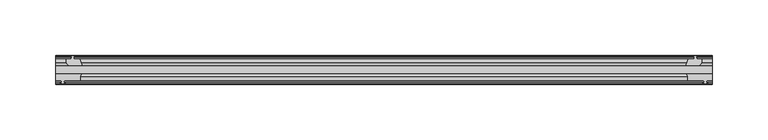
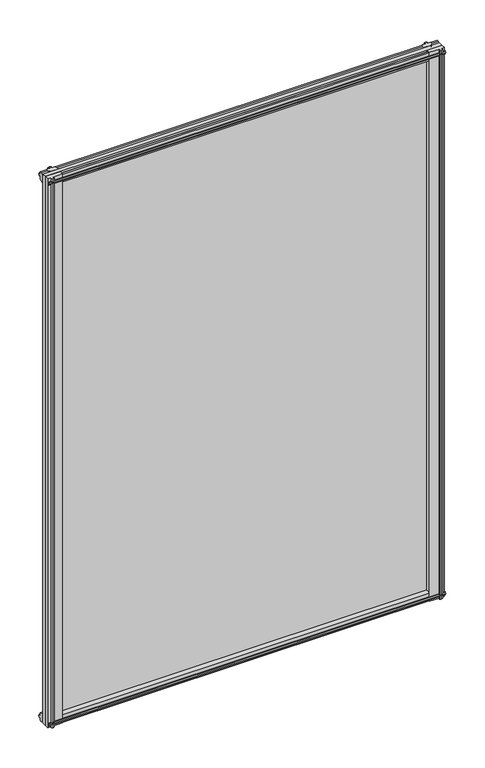
"""IFC4 building model written with IfcOpenShell, lengths in millimetres: plate geometry."""

from ifc_helpers import new_model, si_unit, point, frame, frame_2d, origin, place, context, project, spatial, polyline, circle_curve, trimmed, segment, composite_curve, outline, extrude, source, transform, mapped, element, save


def plate_11bede91(model_context):
    return source(origin(), model_context, "Body", "SweptSolid", [
        extrude(outline(polyline([(-295.275, -19.5460937), (295.275, -19.5460937), (295.275, -25.8960937), (-295.275, -25.8960937), (-295.275, -19.5460937)])), frame((0.0, 0.0, -12.7), z_axis=(0.0, 0.0, 1.0), x_axis=(1.0, 0.0, 0.0)), (0.0, 0.0, 1.0), 863.6),
        extrude(outline(composite_curve([segment(polyline([(-295.2792854, -32.2460937), (-295.2792854, -25.8960937), (-271.9572351, -25.8960937)]), True, "CONTINUOUS"), segment(trimmed(circle_curve(frame_2d((-264.168449, -30.5054843)), 9.0505066), [point((-271.9572351, -25.8960937))], [point((-273.05, -32.2460937))], True, "CARTESIAN"), True, "CONTINUOUS"), segment(polyline([(-273.05, -32.2460937), (-287.6592854, -32.2460937), (-287.9767854, -34.3506957), (-286.7581795, -34.0241712), (-286.5543854, -34.7847412), (-288.9292854, -35.4210937), (-291.3041854, -34.7847412), (-291.1003913, -34.0241712), (-289.8817854, -34.3506957), (-290.1992854, -32.2460937), (-295.2792854, -32.2460937)]), True, "CONTINUOUS")], self_intersect=False)), frame((0.0, 0.0, -12.7), z_axis=(0.0, 0.0, 1.0), x_axis=(1.0, 0.0, 0.0)), (0.0, 0.0, 1.0), 863.6),
        extrude(outline(composite_curve([segment(polyline([(295.2792854, -32.2460938), (290.1992854, -32.2460938), (289.8817854, -34.3506957), (291.1003913, -34.0241712), (291.3041854, -34.7847412), (288.9292854, -35.4210938), (286.5543854, -34.7847412), (286.7581795, -34.0241712), (287.9767854, -34.3506957), (287.6592854, -32.2460938), (273.05, -32.2460938)]), True, "CONTINUOUS"), segment(trimmed(circle_curve(frame_2d((264.168449, -30.5054843)), 9.0505066), [point((273.05, -32.2460938))], [point((271.9572351, -25.8960937))], True, "CARTESIAN"), True, "CONTINUOUS"), segment(polyline([(271.9572351, -25.8960937), (295.2792854, -25.8960937), (295.2792854, -32.2460938)]), True, "CONTINUOUS")], self_intersect=False)), frame((0.0, 0.0, -12.7), z_axis=(0.0, 0.0, 1.0), x_axis=(1.0, 0.0, 0.0)), (0.0, 0.0, 1.0), 863.6),
        extrude(outline(polyline([(277.7431709, -10.4746158), (279.9207, -9.7670938), (282.098229, -10.4746158), (282.098229, -11.27583), (280.6827, -10.8158968), (281.0637, -13.1960938), (285.5087, -13.1960938), (285.5087, -16.1424938), (283.2960038, -19.5460937), (271.4654229, -19.5460937), (273.5707, -13.1960938), (278.7777, -13.1960938), (279.1587, -10.8158968), (277.7431709, -11.27583), (277.7431709, -10.4746158)])), frame((0.0, 0.0, -12.7), z_axis=(0.0, 0.0, 1.0), x_axis=(1.0, 0.0, 0.0)), (0.0, 0.0, 1.0), 863.6),
        extrude(outline(polyline([(-280.6827, -10.8158968), (-282.098229, -11.27583), (-282.098229, -10.4746158), (-279.9207, -9.7670937), (-277.7431709, -10.4746158), (-277.7431709, -11.27583), (-279.1587, -10.8158968), (-278.7777, -13.1960937), (-273.5707, -13.1960937), (-271.4654229, -19.5460937), (-283.2960038, -19.5460937), (-285.5087, -16.1424937), (-285.5087, -13.1960937), (-281.0637, -13.1960937), (-280.6827, -10.8158968)])), frame((0.0, 0.0, -12.7), z_axis=(0.0, 0.0, 1.0), x_axis=(1.0, 0.0, 0.0)), (0.0, 0.0, 1.0), 863.6),
        extrude(outline(polyline([(-13.1960937, 850.6587), (-13.1960937, 846.2137), (-10.8158968, 845.8327), (-11.27583, 847.248229), (-10.4746158, 847.248229), (-9.7670937, 845.0707), (-10.4746158, 842.8931709), (-11.27583, 842.8931709), (-10.8158968, 844.3087), (-13.1960937, 843.9277), (-13.1960937, 838.7207), (-19.5460937, 836.6154229), (-19.5460937, 848.4460038), (-16.1424937, 850.6587), (-13.1960937, 850.6587)])), frame((-295.275, 0.0, 0.0), z_axis=(1.0, 0.0, 0.0), x_axis=(0.0, 1.0, 0.0)), (0.0, 0.0, 1.0), 590.55),
        extrude(outline(polyline([(-29.2996937, 850.138), (-25.8960937, 847.9253038), (-25.8960937, 836.0947229), (-32.2460937, 838.2), (-32.2460937, 843.407), (-34.6262907, 843.788), (-34.1663575, 842.3724709), (-34.9675717, 842.3724709), (-35.6750937, 844.55), (-34.9675717, 846.7275291), (-34.1663575, 846.7275291), (-34.6262907, 845.312), (-32.2460937, 845.693), (-32.2460937, 850.138), (-29.2996937, 850.138)])), frame((-295.275, 0.0, 0.0), z_axis=(1.0, 0.0, 0.0), x_axis=(0.0, 1.0, 0.0)), (0.0, 0.0, 1.0), 590.55),
        extrude(outline(polyline([(-25.8960937, 2.1052771), (-25.8960937, -9.7253038), (-29.2996937, -11.938), (-32.2460937, -11.938), (-32.2460937, -7.493), (-34.6262907, -7.112), (-34.1663575, -8.5275291), (-34.9675717, -8.5275291), (-35.6750937, -6.35), (-34.9675717, -4.1724709), (-34.1663575, -4.1724709), (-34.6262907, -5.588), (-32.2460937, -5.207), (-32.2460937, 0.0), (-25.8960937, 2.1052771)])), frame((-295.275, 0.0, 0.0), z_axis=(1.0, 0.0, 0.0), x_axis=(0.0, 1.0, 0.0)), (0.0, 0.0, 1.0), 590.55),
        extrude(outline(polyline([(-19.5460937, 1.5845771), (-13.1960937, -0.5207), (-13.1960937, -5.7277), (-10.8158968, -6.1087), (-11.27583, -4.6931709), (-10.4746158, -4.6931709), (-9.7670937, -6.8707), (-10.4746158, -9.048229), (-11.27583, -9.048229), (-10.8158968, -7.6327), (-13.1960937, -8.0137), (-13.1960937, -12.4587), (-16.1424937, -12.4587), (-19.5460937, -10.2460038), (-19.5460937, 1.5845771)])), frame((-295.275, 0.0, 0.0), z_axis=(1.0, 0.0, 0.0), x_axis=(0.0, 1.0, 0.0)), (0.0, 0.0, 1.0), 590.55),
    ])


if __name__ == "__main__":
    model = new_model("IFC4")
    model_context = context("Model", 3, world=origin())
    ifc_project = project(units=[si_unit("LENGTHUNIT", "METRE", prefix="MILLI")], contexts=[model_context])
    site = spatial("IfcSite", under=ifc_project)
    building = spatial("IfcBuilding", under=site)
    placement = place(None, origin())
    plate_shape = plate_11bede91(model_context)
    element("IfcPlate", 1, at=placement, inside=building, context=model_context, shape_type="MappedRepresentation", body=[
        mapped(plate_shape, transform((0.0, 0.0, 0.0), x_axis=(1.0, 0.0, 0.0), y_axis=(0.0, 1.0, 0.0), z_axis=(0.0, 0.0, 1.0))),
    ])
    save(model, "model.ifc")
